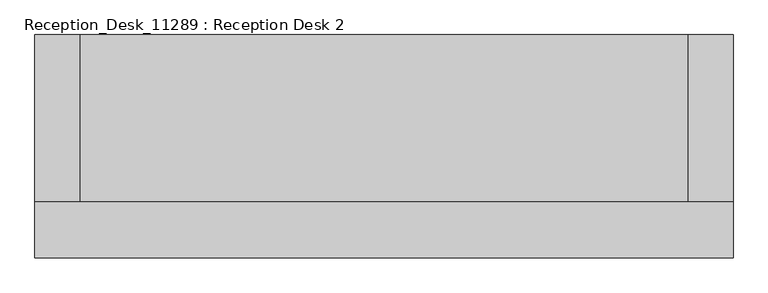
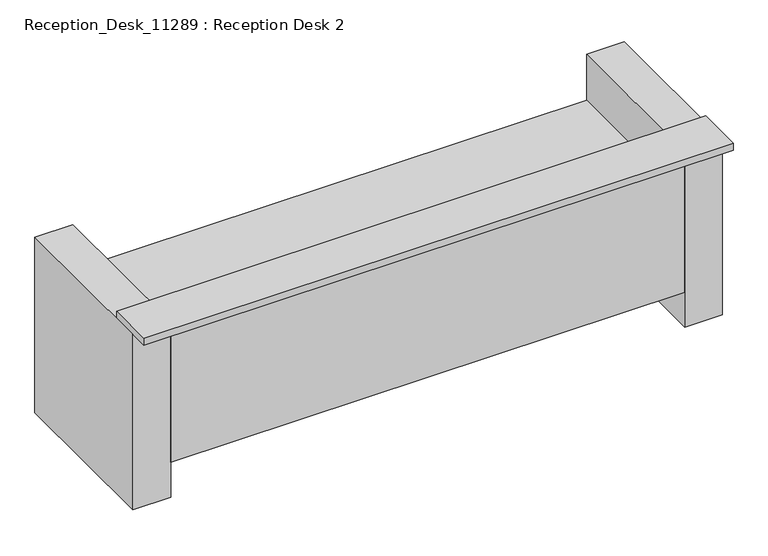
"""IFC4 building model written with IfcOpenShell, lengths in millimetres: furniture geometry, Reception_Desk_11289 : Reception Desk 2."""

from ifc_helpers import new_model, si_unit, frame, origin, origin_with_axes, place, context, project, spatial, polyline, outline, extrude, source, transform, mapped, element, save


def reception_desk_11289_reception_desk_2_4eca3cbe(model_context):
    return source(origin(), model_context, "Body", "SweptSolid", [
        extrude(outline(polyline([(-119.3435933, 514.4), (83.8564067, 514.4), (83.8564067, -400.0), (-119.3435933, -400.0), (-119.3435933, 514.4)])), origin_with_axes(), (0.0, 0.0, 1.0), 1000.0),
        extrude(outline(polyline([(3057.8319617, -247.5), (3057.8319617, -501.5), (-119.3435933, -501.5), (-119.3435933, -247.5), (3057.8319617, -247.5)])), frame((0.0, 0.0, 1000.0), z_axis=(0.0, 0.0, 1.0), x_axis=(1.0, 0.0, 0.0)), (0.0, 0.0, 1.0), 40.0),
        extrude(outline(polyline([(2854.6319617, 514.4), (3057.8319617, 514.4), (3057.8319617, -400.0), (2854.6319617, -400.0), (2854.6319617, 514.4)])), origin_with_axes(), (0.0, 0.0, 1.0), 1000.0),
        extrude(outline(polyline([(2854.6319617, 514.4), (2854.6319617, -380.0), (83.8564067, -380.0), (83.8564067, 514.4), (2854.6319617, 514.4)])), frame((0.0, 0.0, 700.0), z_axis=(0.0, 0.0, 1.0), x_axis=(1.0, 0.0, 0.0)), (0.0, 0.0, 1.0), 40.0),
        extrude(outline(polyline([(2854.6319617, -380.0), (2854.6319617, -400.0), (83.8564067, -400.0), (83.8564067, -380.0), (2854.6319617, -380.0)])), frame((0.0, 0.0, 200.0), z_axis=(0.0, 0.0, 1.0), x_axis=(1.0, 0.0, 0.0)), (0.0, 0.0, 1.0), 800.0),
    ])


if __name__ == "__main__":
    model = new_model("IFC4")
    model_context = context("Model", 3, world=origin())
    ifc_project = project(units=[si_unit("LENGTHUNIT", "METRE", prefix="MILLI")], contexts=[model_context])
    site = spatial("IfcSite", under=ifc_project)
    building = spatial("IfcBuilding", under=site)
    placement = place(None, origin())
    reception_desk_11289_reception_desk_2_shape = reception_desk_11289_reception_desk_2_4eca3cbe(model_context)
    element("IfcFurniture", 1, ObjectType="Reception_Desk_11289 : Reception Desk 2", at=placement, inside=building, context=model_context, shape_type="MappedRepresentation", body=[
        mapped(reception_desk_11289_reception_desk_2_shape, transform((0.0, 0.0, 0.0), x_axis=(1.0, 0.0, 0.0), y_axis=(0.0, 1.0, 0.0), z_axis=(0.0, 0.0, 1.0))),
    ])
    save(model, "model.ifc")
